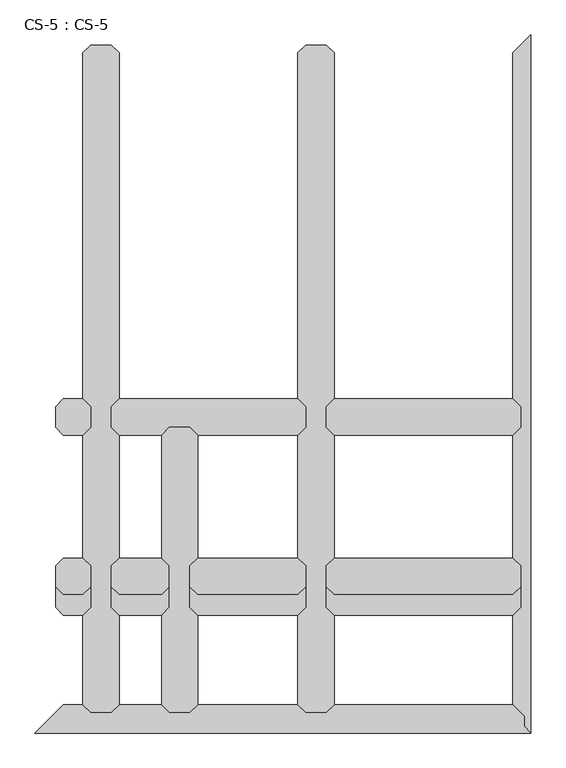
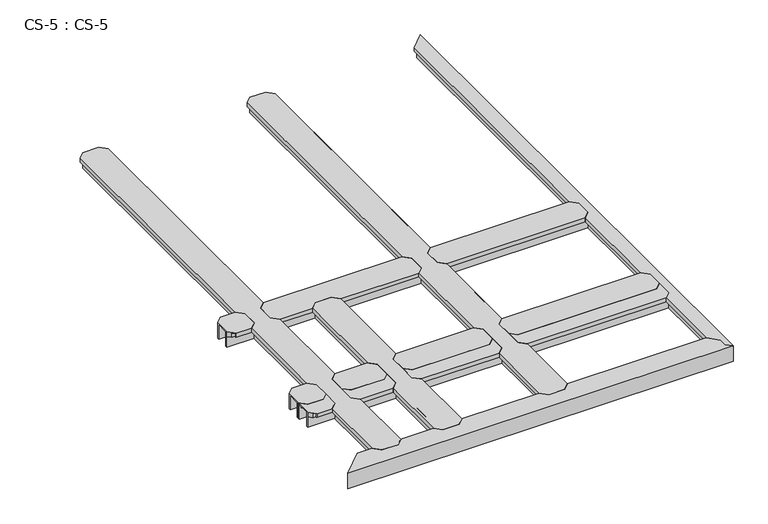
"""IFC4 building model written with IfcOpenShell, lengths in millimetres: proxy geometry, CS-5 : CS-5."""

from ifc_helpers import new_model, si_unit, origin, place, context, project, spatial, faceted_brep, source, transform, mapped, element, save


def cs_5_cs_5_7287b085(model_context):
    return source(origin(), model_context, "Body", "Brep", [
        faceted_brep([(863.5990043, 467.3600292, 46.355), (863.5990043, 467.3600292, 0.0), (863.5990043, 474.3450292, 0.0), (863.5990043, 474.3450292, 63.5), (863.5990043, 526.4150292, 63.5), (863.5990043, 526.4150292, 0.0), (863.5990043, 533.4000292, 0.0), (863.5990043, 533.4000292, 46.355), (863.5990043, 533.4000292, 66.675), (863.5990043, 467.3600292, 66.675), (494.6639027, 533.4000292, 46.355), (494.6639027, 533.4000292, 0.0), (494.6639027, 526.4150292, 0.0), (494.6639027, 526.4150292, 63.5), (494.6639027, 474.3450292, 63.5), (494.6639027, 474.3450292, 0.0), (494.6639027, 467.3600292, 0.0), (494.6639027, 467.3600292, 46.355), (494.6639027, 467.3600292, 66.675), (494.6639027, 533.4000292, 66.675), (519.3019027, 558.0380292, 66.675), (838.9610043, 558.0380292, 66.675), (838.9610043, 558.0380292, 49.8094), (519.3019027, 558.0380292, 49.8094), (840.4850043, 556.5140292, 49.8094), (517.7779027, 556.5140292, 49.8094), (840.4850043, 556.5140292, 64.643), (517.7779027, 556.5140292, 64.643), (850.7720043, 546.2270292, 64.643), (507.4909027, 546.2270292, 64.643), (850.7720043, 546.2270292, 46.355), (507.4909027, 546.2270292, 46.355), (850.7720043, 454.5330292, 46.355), (507.4909027, 454.5330292, 46.355), (850.7720043, 454.5330292, 64.643), (507.4909027, 454.5330292, 64.643), (840.4850043, 444.2460292, 64.643), (517.7779027, 444.2460292, 64.643), (840.4850043, 444.2460292, 49.8094), (517.7779027, 444.2460292, 49.8094), (838.9610043, 442.7220292, 49.8094), (519.3019027, 442.7220292, 49.8094), (838.9610043, 442.7220292, 66.675), (519.3019027, 442.7220292, 66.675)], [[[0, 1, 2, 3, 4, 5, 6, 7, 8, 9]], [[10, 11, 12, 13, 14, 15, 16, 17, 18, 19]], [[20, 21, 22, 23]], [[23, 22, 24, 25]], [[25, 24, 26, 27]], [[27, 26, 28, 29]], [[29, 28, 30, 31]], [[7, 10, 31, 30]], [[7, 6, 11, 10]], [[6, 5, 12, 11]], [[5, 4, 13, 12]], [[4, 3, 14, 13]], [[3, 2, 15, 14]], [[2, 1, 16, 15]], [[1, 0, 17, 16]], [[17, 0, 32, 33]], [[33, 32, 34, 35]], [[35, 34, 36, 37]], [[37, 36, 38, 39]], [[39, 38, 40, 41]], [[41, 40, 42, 43]], [[9, 8, 21, 20, 19, 18, 43, 42]], [[10, 19, 20, 23, 25, 27, 29, 31]], [[18, 17, 33, 35, 37, 39, 41, 43]], [[0, 9, 42, 40, 38, 36, 34, 32]], [[8, 7, 30, 28, 26, 24, 22, 21]]]),
        faceted_brep([(863.5990043, 401.3200292, 46.355), (863.5990043, 401.3200292, 0.0), (863.5990043, 408.3050292, 0.0), (863.5990043, 408.3050292, 63.5), (863.5990043, 460.3750292, 63.5), (863.5990043, 460.3750292, 0.0), (863.5990043, 467.3600292, 0.0), (863.5990043, 467.3600292, 46.355), (863.5990043, 467.3600292, 66.675), (863.5990043, 401.3200292, 66.675), (494.6639027, 467.3600292, 46.355), (494.6639027, 467.3600292, 0.0), (494.6639027, 460.3750292, 0.0), (494.6639027, 460.3750292, 63.5), (494.6639027, 408.3050292, 63.5), (494.6639027, 408.3050292, 0.0), (494.6639027, 401.3200292, 0.0), (494.6639027, 401.3200292, 46.355), (494.6639027, 401.3200292, 66.675), (494.6639027, 467.3600292, 66.675), (519.3019027, 491.9980292, 66.675), (838.9610043, 491.9980292, 66.675), (838.9610043, 491.9980292, 49.8094), (519.3019027, 491.9980292, 49.8094), (840.4850043, 490.4740292, 49.8094), (517.7779027, 490.4740292, 49.8094), (840.4850043, 490.4740292, 64.643), (517.7779027, 490.4740292, 64.643), (850.7720043, 480.1870292, 64.643), (507.4909027, 480.1870292, 64.643), (850.7720043, 480.1870292, 46.355), (507.4909027, 480.1870292, 46.355), (850.7720043, 388.4930292, 46.355), (507.4909027, 388.4930292, 46.355), (850.7720043, 388.4930292, 64.643), (507.4909027, 388.4930292, 64.643), (840.4850043, 378.2060292, 64.643), (517.7779027, 378.2060292, 64.643), (840.4850043, 378.2060292, 49.8094), (517.7779027, 378.2060292, 49.8094), (838.9610043, 376.6820292, 49.8094), (519.3019027, 376.6820292, 49.8094), (838.9610043, 376.6820292, 66.675), (519.3019027, 376.6820292, 66.675)], [[[0, 1, 2, 3, 4, 5, 6, 7, 8, 9]], [[10, 11, 12, 13, 14, 15, 16, 17, 18, 19]], [[20, 21, 22, 23]], [[23, 22, 24, 25]], [[25, 24, 26, 27]], [[27, 26, 28, 29]], [[29, 28, 30, 31]], [[7, 10, 31, 30]], [[7, 6, 11, 10]], [[6, 5, 12, 11]], [[5, 4, 13, 12]], [[4, 3, 14, 13]], [[3, 2, 15, 14]], [[2, 1, 16, 15]], [[1, 0, 17, 16]], [[17, 0, 32, 33]], [[33, 32, 34, 35]], [[35, 34, 36, 37]], [[37, 36, 38, 39]], [[39, 38, 40, 41]], [[41, 40, 42, 43]], [[9, 8, 21, 20, 19, 18, 43, 42]], [[10, 19, 20, 23, 25, 27, 29, 31]], [[18, 17, 33, 35, 37, 39, 41, 43]], [[0, 9, 42, 40, 38, 36, 34, 32]], [[8, 7, 30, 28, 26, 24, 22, 21]]]),
        faceted_brep([(494.6639027, 975.3600584, 46.355), (494.6639027, 975.3600584, 0.0), (487.6789027, 975.3600584, 0.0), (487.6789027, 975.3600584, 63.5), (435.6089027, 975.3600584, 63.5), (435.6089027, 975.3600584, 0.0), (428.6239027, 975.3600584, 0.0), (428.6239027, 975.3600584, 46.355), (428.6239027, 975.3600584, 66.675), (494.6639027, 975.3600584, 66.675), (428.6239027, 66.04, 46.355), (428.6239027, 66.04, 0.0), (435.6089027, 66.04, 0.0), (435.6089027, 66.04, 63.5), (487.6789027, 66.04, 63.5), (487.6789027, 66.04, 0.0), (494.6639027, 66.04, 0.0), (494.6639027, 66.04, 46.355), (494.6639027, 66.04, 66.675), (428.6239027, 66.04, 66.675), (403.9859027, 90.678, 49.8094), (403.9859027, 90.678, 66.675), (403.9859027, 376.682, 66.675), (403.9859027, 376.682, 49.8094), (403.9859027, 950.7220584, 66.675), (403.9859027, 950.7220584, 49.8094), (403.9859027, 558.038, 49.8094), (403.9859027, 558.038, 66.675), (405.5099027, 89.154, 49.8094), (405.5099027, 378.206, 49.8094), (405.5099027, 952.2460584, 49.8094), (405.5099027, 556.514, 49.8094), (405.5099027, 89.154, 64.643), (405.5099027, 378.206, 64.643), (405.5099027, 952.2460584, 64.643), (405.5099027, 556.514, 64.643), (415.7969027, 78.867, 64.643), (415.7969027, 388.493, 64.643), (415.7969027, 962.5330584, 64.643), (415.7969027, 546.227, 64.643), (415.7969027, 78.867, 46.355), (415.7969027, 388.493, 46.355), (415.7969027, 962.5330584, 46.355), (415.7969027, 546.227, 46.355), (428.6239027, 401.32, 46.355), (428.6239027, 533.4, 46.355), (428.6239027, 401.32, 66.675), (428.6239027, 533.4, 66.675), (494.6639027, 533.4000292, 46.355), (494.6639027, 533.4000292, 66.675), (494.6639027, 401.32, 66.675), (494.6639027, 401.32, 46.355), (507.4909027, 78.867, 46.355), (507.4909027, 388.4930152, 46.355), (507.4909027, 962.5330584, 46.355), (507.4909027, 546.2270292, 46.355), (507.4909027, 78.867, 64.643), (507.4909027, 388.4930152, 64.643), (507.4909027, 962.5330584, 64.643), (507.4909027, 546.2270292, 64.643), (517.7779027, 89.154, 64.643), (517.7779027, 378.2060274, 64.643), (517.7779027, 952.2460584, 64.643), (517.7779027, 556.5140292, 64.643), (517.7779027, 89.154, 49.8094), (517.7779027, 378.2060274, 49.8094), (517.7779027, 952.2460584, 49.8094), (517.7779027, 556.5140292, 49.8094), (519.3019027, 90.678, 49.8094), (519.3019027, 376.6820292, 49.8094), (519.3019027, 950.7220584, 49.8094), (519.3019027, 558.0380292, 49.8094), (519.3019027, 90.678, 66.675), (519.3019027, 376.6820292, 66.675), (519.3019027, 950.7220584, 66.675), (519.3019027, 558.0380292, 66.675)], [[[0, 1, 2, 3, 4, 5, 6, 7, 8, 9]], [[10, 11, 12, 13, 14, 15, 16, 17, 18, 19]], [[20, 21, 22, 23]], [[24, 25, 26, 27]], [[28, 20, 23, 29]], [[25, 30, 31, 26]], [[32, 28, 29, 33]], [[30, 34, 35, 31]], [[36, 32, 33, 37]], [[34, 38, 39, 35]], [[40, 36, 37, 41]], [[38, 42, 43, 39]], [[10, 40, 41, 44]], [[42, 7, 45, 43]], [[7, 6, 11, 10, 44, 46, 47, 45]], [[6, 5, 12, 11]], [[5, 4, 13, 12]], [[4, 3, 14, 13]], [[3, 2, 15, 14]], [[2, 1, 16, 15]], [[1, 0, 48, 49, 50, 51, 17, 16]], [[52, 17, 51, 53]], [[0, 54, 55, 48]], [[56, 52, 53, 57]], [[54, 58, 59, 55]], [[60, 56, 57, 61]], [[58, 62, 63, 59]], [[64, 60, 61, 65]], [[62, 66, 67, 63]], [[68, 64, 65, 69]], [[66, 70, 71, 67]], [[72, 68, 69, 73]], [[70, 74, 75, 71]], [[9, 8, 24, 27, 47, 46, 22, 21, 19, 18, 72, 73, 50, 49, 75, 74]], [[10, 19, 21, 20, 28, 32, 36, 40]], [[18, 17, 52, 56, 60, 64, 68, 72]], [[0, 9, 74, 70, 66, 62, 58, 54]], [[8, 7, 42, 38, 34, 30, 25, 24]], [[46, 44, 41, 37, 33, 29, 23, 22]], [[45, 47, 27, 26, 31, 35, 39, 43]], [[51, 50, 73, 69, 65, 61, 57, 53]], [[49, 48, 55, 59, 63, 67, 71, 75]]]),
        faceted_brep([(1549.3991059, 975.3600584, 46.355), (1549.3991059, 975.3600584, 0.0), (1549.3991059, 982.3450584, 0.0), (1549.3991059, 982.3450584, 63.5), (1549.3991059, 1034.4150584, 63.5), (1549.3991059, 1034.4150584, 0.0), (1549.3991059, 1041.4000584, 0.0), (1549.3991059, 1041.4000584, 46.355), (1549.3991059, 1041.4000584, 66.675), (1549.3991059, 975.3600584, 66.675), (929.6390043, 1041.4000584, 46.355), (929.6390043, 1041.4000584, 0.0), (929.6390043, 1034.4150584, 0.0), (929.6390043, 1034.4150584, 63.5), (929.6390043, 982.3450584, 63.5), (929.6390043, 982.3450584, 0.0), (929.6390043, 975.3600584, 0.0), (929.6390043, 975.3600584, 46.355), (929.6390043, 975.3600584, 66.675), (929.6390043, 1041.4000584, 66.675), (954.2770043, 1066.0380584, 66.675), (1524.7611059, 1066.0380584, 66.675), (1524.7611059, 1066.0380584, 49.8094), (954.2770043, 1066.0380584, 49.8094), (1526.2851059, 1064.5140584, 49.8094), (952.7530043, 1064.5140584, 49.8094), (1526.2851059, 1064.5140584, 64.643), (952.7530043, 1064.5140584, 64.643), (1536.5721059, 1054.2270584, 64.643), (942.4660043, 1054.2270584, 64.643), (1536.5721059, 1054.2270584, 46.355), (942.4660043, 1054.2270584, 46.355), (1536.5721059, 962.5330584, 46.355), (942.4660043, 962.5330584, 46.355), (1536.5721059, 962.5330584, 64.643), (942.4660043, 962.5330584, 64.643), (1526.2851059, 952.2460584, 64.643), (952.7530043, 952.2460584, 64.643), (1526.2851059, 952.2460584, 49.8094), (952.7530043, 952.2460584, 49.8094), (1524.7611059, 950.7220584, 49.8094), (954.2770043, 950.7220584, 49.8094), (1524.7611059, 950.7220584, 66.675), (954.2770043, 950.7220584, 66.675)], [[[0, 1, 2, 3, 4, 5, 6, 7, 8, 9]], [[10, 11, 12, 13, 14, 15, 16, 17, 18, 19]], [[20, 21, 22, 23]], [[23, 22, 24, 25]], [[25, 24, 26, 27]], [[27, 26, 28, 29]], [[29, 28, 30, 31]], [[7, 10, 31, 30]], [[7, 6, 11, 10]], [[6, 5, 12, 11]], [[5, 4, 13, 12]], [[4, 3, 14, 13]], [[3, 2, 15, 14]], [[2, 1, 16, 15]], [[1, 0, 17, 16]], [[17, 0, 32, 33]], [[33, 32, 34, 35]], [[35, 34, 36, 37]], [[37, 36, 38, 39]], [[39, 38, 40, 41]], [[41, 40, 42, 43]], [[9, 8, 21, 20, 19, 18, 43, 42]], [[10, 19, 20, 23, 25, 27, 29, 31]], [[18, 17, 33, 35, 37, 39, 41, 43]], [[0, 9, 42, 40, 38, 36, 34, 32]], [[8, 7, 30, 28, 26, 24, 22, 21]]]),
        faceted_brep([(863.5990043, 975.3600584, 46.355), (863.5990043, 975.3600584, 0.0), (863.5990043, 982.3450584, 0.0), (863.5990043, 982.3450584, 63.5), (863.5990043, 1034.4150584, 63.5), (863.5990043, 1034.4150584, 0.0), (863.5990043, 1041.4000584, 0.0), (863.5990043, 1041.4000584, 46.355), (863.5990043, 1041.4000584, 66.675), (863.5990043, 975.3600584, 66.675), (243.8389027, 1041.4000584, 46.355), (243.8389027, 1041.4000584, 0.0), (243.8389027, 1034.4150584, 0.0), (243.8389027, 1034.4150584, 63.5), (243.8389027, 982.3450584, 63.5), (243.8389027, 982.3450584, 0.0), (243.8389027, 975.3600584, 0.0), (243.8389027, 975.3600584, 46.355), (243.8389027, 975.3600584, 66.675), (243.8389027, 1041.4000584, 66.675), (268.4769027, 1066.0380584, 66.675), (838.9610043, 1066.0380584, 66.675), (838.9610043, 1066.0380584, 49.8094), (268.4769027, 1066.0380584, 49.8094), (840.4850043, 1064.5140584, 49.8094), (266.9529027, 1064.5140584, 49.8094), (840.4850043, 1064.5140584, 64.643), (266.9529027, 1064.5140584, 64.643), (850.7720043, 1054.2270584, 64.643), (256.6659027, 1054.2270584, 64.643), (850.7720043, 1054.2270584, 46.355), (256.6659027, 1054.2270584, 46.355), (494.6639027, 975.3600584, 46.355), (494.6639027, 975.3600584, 66.675), (428.6239027, 975.3600584, 66.675), (428.6239027, 975.3600584, 46.355), (256.6659027, 962.5330584, 46.355), (415.7969027, 962.5330584, 46.355), (850.7720043, 962.5330584, 46.355), (507.4909027, 962.5330584, 46.355), (256.6659027, 962.5330584, 64.643), (415.7969027, 962.5330584, 64.643), (850.7720043, 962.5330584, 64.643), (507.4909027, 962.5330584, 64.643), (266.9529027, 952.2460584, 64.643), (405.5099027, 952.2460584, 64.643), (840.4850043, 952.2460584, 64.643), (517.7779027, 952.2460584, 64.643), (266.9529027, 952.2460584, 49.8094), (405.5099027, 952.2460584, 49.8094), (840.4850043, 952.2460584, 49.8094), (517.7779027, 952.2460584, 49.8094), (268.4769027, 950.7220584, 49.8094), (403.9859027, 950.7220584, 49.8094), (838.9610043, 950.7220584, 49.8094), (519.3019027, 950.7220584, 49.8094), (268.4769027, 950.7220584, 66.675), (403.9859027, 950.7220584, 66.675), (838.9610043, 950.7220584, 66.675), (519.3019027, 950.7220584, 66.675)], [[[0, 1, 2, 3, 4, 5, 6, 7, 8, 9]], [[10, 11, 12, 13, 14, 15, 16, 17, 18, 19]], [[20, 21, 22, 23]], [[23, 22, 24, 25]], [[25, 24, 26, 27]], [[27, 26, 28, 29]], [[29, 28, 30, 31]], [[7, 10, 31, 30]], [[7, 6, 11, 10]], [[6, 5, 12, 11]], [[5, 4, 13, 12]], [[4, 3, 14, 13]], [[3, 2, 15, 14]], [[2, 1, 16, 15]], [[1, 0, 32, 33, 34, 35, 17, 16]], [[36, 17, 35, 37]], [[0, 38, 39, 32]], [[40, 36, 37, 41]], [[38, 42, 43, 39]], [[44, 40, 41, 45]], [[42, 46, 47, 43]], [[48, 44, 45, 49]], [[46, 50, 51, 47]], [[52, 48, 49, 53]], [[50, 54, 55, 51]], [[56, 52, 53, 57]], [[54, 58, 59, 55]], [[9, 8, 21, 20, 19, 18, 56, 57, 34, 33, 59, 58]], [[10, 19, 20, 23, 25, 27, 29, 31]], [[18, 17, 36, 40, 44, 48, 52, 56]], [[0, 9, 58, 54, 50, 46, 42, 38]], [[8, 7, 30, 28, 26, 24, 22, 21]], [[33, 32, 39, 43, 47, 51, 55, 59]], [[35, 34, 57, 53, 49, 45, 41, 37]]]),
        faceted_brep([(1549.3991059, 467.3600292, 46.355), (1549.3991059, 467.3600292, 0.0), (1549.3991059, 474.3450292, 0.0), (1549.3991059, 474.3450292, 63.5), (1549.3991059, 526.4150292, 63.5), (1549.3991059, 526.4150292, 0.0), (1549.3991059, 533.4000292, 0.0), (1549.3991059, 533.4000292, 46.355), (1549.3991059, 533.4000292, 66.675), (1549.3991059, 467.3600292, 66.675), (929.6390043, 533.4000292, 46.355), (929.6390043, 533.4000292, 0.0), (929.6390043, 526.4150292, 0.0), (929.6390043, 526.4150292, 63.5), (929.6390043, 474.3450292, 63.5), (929.6390043, 474.3450292, 0.0), (929.6390043, 467.3600292, 0.0), (929.6390043, 467.3600292, 46.355), (929.6390043, 467.3600292, 66.675), (929.6390043, 533.4000292, 66.675), (954.2770043, 558.0380292, 66.675), (1524.7611059, 558.0380292, 66.675), (1524.7611059, 558.0380292, 49.8094), (954.2770043, 558.0380292, 49.8094), (1526.2851059, 556.5140292, 49.8094), (952.7530043, 556.5140292, 49.8094), (1526.2851059, 556.5140292, 64.643), (952.7530043, 556.5140292, 64.643), (1536.5721059, 546.2270292, 64.643), (942.4660043, 546.2270292, 64.643), (1536.5721059, 546.2270292, 46.355), (942.4660043, 546.2270292, 46.355), (1536.5721059, 454.5330292, 46.355), (942.4660043, 454.5330292, 46.355), (1536.5721059, 454.5330292, 64.643), (942.4660043, 454.5330292, 64.643), (1526.2851059, 444.2460292, 64.643), (952.7530043, 444.2460292, 64.643), (1526.2851059, 444.2460292, 49.8094), (952.7530043, 444.2460292, 49.8094), (1524.7611059, 442.7220292, 49.8094), (954.2770043, 442.7220292, 49.8094), (1524.7611059, 442.7220292, 66.675), (954.2770043, 442.7220292, 66.675)], [[[0, 1, 2, 3, 4, 5, 6, 7, 8, 9]], [[10, 11, 12, 13, 14, 15, 16, 17, 18, 19]], [[20, 21, 22, 23]], [[23, 22, 24, 25]], [[25, 24, 26, 27]], [[27, 26, 28, 29]], [[29, 28, 30, 31]], [[7, 10, 31, 30]], [[7, 6, 11, 10]], [[6, 5, 12, 11]], [[5, 4, 13, 12]], [[4, 3, 14, 13]], [[3, 2, 15, 14]], [[2, 1, 16, 15]], [[1, 0, 17, 16]], [[17, 0, 32, 33]], [[33, 32, 34, 35]], [[35, 34, 36, 37]], [[37, 36, 38, 39]], [[39, 38, 40, 41]], [[41, 40, 42, 43]], [[9, 8, 21, 20, 19, 18, 43, 42]], [[10, 19, 20, 23, 25, 27, 29, 31]], [[18, 17, 33, 35, 37, 39, 41, 43]], [[0, 9, 42, 40, 38, 36, 34, 32]], [[8, 7, 30, 28, 26, 24, 22, 21]]]),
        faceted_brep([(428.6239027, 467.3600292, 46.355), (428.6239027, 467.3600292, 0.0), (428.6239027, 474.3450292, 0.0), (428.6239027, 474.3450292, 63.5), (428.6239027, 526.4150292, 63.5), (428.6239027, 526.4150292, 0.0), (428.6239027, 533.4000292, 0.0), (428.6239027, 533.4000292, 46.355), (428.6239027, 533.4000292, 66.675), (428.6239027, 467.3600292, 66.675), (243.8389027, 533.4000292, 46.355), (243.8389027, 533.4000292, 0.0), (243.8389027, 526.4150292, 0.0), (243.8389027, 526.4150292, 63.5), (243.8389027, 474.3450292, 63.5), (243.8389027, 474.3450292, 0.0), (243.8389027, 467.3600292, 0.0), (243.8389027, 467.3600292, 46.355), (243.8389027, 467.3600292, 66.675), (243.8389027, 533.4000292, 66.675), (268.4769027, 558.0380292, 66.675), (403.9859027, 558.0380292, 66.675), (403.9859027, 558.0380292, 49.8094), (268.4769027, 558.0380292, 49.8094), (405.5099027, 556.5140292, 49.8094), (266.9529027, 556.5140292, 49.8094), (405.5099027, 556.5140292, 64.643), (266.9529027, 556.5140292, 64.643), (415.7969027, 546.2270292, 64.643), (256.6659027, 546.2270292, 64.643), (415.7969027, 546.2270292, 46.355), (256.6659027, 546.2270292, 46.355), (415.7969027, 454.5330292, 46.355), (256.6659027, 454.5330292, 46.355), (415.7969027, 454.5330292, 64.643), (256.6659027, 454.5330292, 64.643), (405.5099027, 444.2460292, 64.643), (266.9529027, 444.2460292, 64.643), (405.5099027, 444.2460292, 49.8094), (266.9529027, 444.2460292, 49.8094), (403.9859027, 442.7220292, 49.8094), (268.4769027, 442.7220292, 49.8094), (403.9859027, 442.7220292, 66.675), (268.4769027, 442.7220292, 66.675)], [[[0, 1, 2, 3, 4, 5, 6, 7, 8, 9]], [[10, 11, 12, 13, 14, 15, 16, 17, 18, 19]], [[20, 21, 22, 23]], [[23, 22, 24, 25]], [[25, 24, 26, 27]], [[27, 26, 28, 29]], [[29, 28, 30, 31]], [[7, 10, 31, 30]], [[7, 6, 11, 10]], [[6, 5, 12, 11]], [[5, 4, 13, 12]], [[4, 3, 14, 13]], [[3, 2, 15, 14]], [[2, 1, 16, 15]], [[1, 0, 17, 16]], [[17, 0, 32, 33]], [[33, 32, 34, 35]], [[35, 34, 36, 37]], [[37, 36, 38, 39]], [[39, 38, 40, 41]], [[41, 40, 42, 43]], [[9, 8, 21, 20, 19, 18, 43, 42]], [[10, 19, 20, 23, 25, 27, 29, 31]], [[18, 17, 33, 35, 37, 39, 41, 43]], [[0, 9, 42, 40, 38, 36, 34, 32]], [[8, 7, 30, 28, 26, 24, 22, 21]]]),
        faceted_brep([(1549.3991059, 401.3200292, 46.355), (1549.3991059, 401.3200292, 0.0), (1549.3991059, 408.3050292, 0.0), (1549.3991059, 408.3050292, 63.5), (1549.3991059, 460.3750292, 63.5), (1549.3991059, 460.3750292, 0.0), (1549.3991059, 467.3600292, 0.0), (1549.3991059, 467.3600292, 46.355), (1549.3991059, 467.3600292, 66.675), (1549.3991059, 401.3200292, 66.675), (929.6390043, 467.3600292, 46.355), (929.6390043, 467.3600292, 0.0), (929.6390043, 460.3750292, 0.0), (929.6390043, 460.3750292, 63.5), (929.6390043, 408.3050292, 63.5), (929.6390043, 408.3050292, 0.0), (929.6390043, 401.3200292, 0.0), (929.6390043, 401.3200292, 46.355), (929.6390043, 401.3200292, 66.675), (929.6390043, 467.3600292, 66.675), (954.2770043, 491.9980292, 66.675), (1524.7611059, 491.9980292, 66.675), (1524.7611059, 491.9980292, 49.8094), (954.2770043, 491.9980292, 49.8094), (1526.2851059, 490.4740292, 49.8094), (952.7530043, 490.4740292, 49.8094), (1526.2851059, 490.4740292, 64.643), (952.7530043, 490.4740292, 64.643), (1536.5721059, 480.1870292, 64.643), (942.4660043, 480.1870292, 64.643), (1536.5721059, 480.1870292, 46.355), (942.4660043, 480.1870292, 46.355), (1536.5721059, 388.4930292, 46.355), (942.4660043, 388.4930292, 46.355), (1536.5721059, 388.4930292, 64.643), (942.4660043, 388.4930292, 64.643), (1526.2851059, 378.2060292, 64.643), (952.7530043, 378.2060292, 64.643), (1526.2851059, 378.2060292, 49.8094), (952.7530043, 378.2060292, 49.8094), (1524.7611059, 376.6820292, 49.8094), (954.2770043, 376.6820292, 49.8094), (1524.7611059, 376.6820292, 66.675), (954.2770043, 376.6820292, 66.675)], [[[0, 1, 2, 3, 4, 5, 6, 7, 8, 9]], [[10, 11, 12, 13, 14, 15, 16, 17, 18, 19]], [[20, 21, 22, 23]], [[23, 22, 24, 25]], [[25, 24, 26, 27]], [[27, 26, 28, 29]], [[29, 28, 30, 31]], [[7, 10, 31, 30]], [[7, 6, 11, 10]], [[6, 5, 12, 11]], [[5, 4, 13, 12]], [[4, 3, 14, 13]], [[3, 2, 15, 14]], [[2, 1, 16, 15]], [[1, 0, 17, 16]], [[17, 0, 32, 33]], [[33, 32, 34, 35]], [[35, 34, 36, 37]], [[37, 36, 38, 39]], [[39, 38, 40, 41]], [[41, 40, 42, 43]], [[9, 8, 21, 20, 19, 18, 43, 42]], [[10, 19, 20, 23, 25, 27, 29, 31]], [[18, 17, 33, 35, 37, 39, 41, 43]], [[0, 9, 42, 40, 38, 36, 34, 32]], [[8, 7, 30, 28, 26, 24, 22, 21]]]),
        faceted_brep([(428.6239027, 401.3200292, 46.355), (428.6239027, 401.3200292, 0.0), (428.6239027, 408.3050292, 0.0), (428.6239027, 408.3050292, 63.5), (428.6239027, 460.3750292, 63.5), (428.6239027, 460.3750292, 0.0), (428.6239027, 467.3600292, 0.0), (428.6239027, 467.3600292, 46.355), (428.6239027, 467.3600292, 66.675), (428.6239027, 401.3200292, 66.675), (243.8389027, 467.3600292, 46.355), (243.8389027, 467.3600292, 0.0), (243.8389027, 460.3750292, 0.0), (243.8389027, 460.3750292, 63.5), (243.8389027, 408.3050292, 63.5), (243.8389027, 408.3050292, 0.0), (243.8389027, 401.3200292, 0.0), (243.8389027, 401.3200292, 46.355), (243.8389027, 401.3200292, 66.675), (243.8389027, 467.3600292, 66.675), (268.4769027, 491.9980292, 66.675), (403.9859027, 491.9980292, 66.675), (403.9859027, 491.9980292, 49.8094), (268.4769027, 491.9980292, 49.8094), (405.5099027, 490.4740292, 49.8094), (266.9529027, 490.4740292, 49.8094), (405.5099027, 490.4740292, 64.643), (266.9529027, 490.4740292, 64.643), (415.7969027, 480.1870292, 64.643), (256.6659027, 480.1870292, 64.643), (415.7969027, 480.1870292, 46.355), (256.6659027, 480.1870292, 46.355), (415.7969027, 388.4930292, 46.355), (256.6659027, 388.4930292, 46.355), (415.7969027, 388.4930292, 64.643), (256.6659027, 388.4930292, 64.643), (405.5099027, 378.2060292, 64.643), (266.9529027, 378.2060292, 64.643), (405.5099027, 378.2060292, 49.8094), (266.9529027, 378.2060292, 49.8094), (403.9859027, 376.6820292, 49.8094), (268.4769027, 376.6820292, 49.8094), (403.9859027, 376.6820292, 66.675), (268.4769027, 376.6820292, 66.675)], [[[0, 1, 2, 3, 4, 5, 6, 7, 8, 9]], [[10, 11, 12, 13, 14, 15, 16, 17, 18, 19]], [[20, 21, 22, 23]], [[23, 22, 24, 25]], [[25, 24, 26, 27]], [[27, 26, 28, 29]], [[29, 28, 30, 31]], [[7, 10, 31, 30]], [[7, 6, 11, 10]], [[6, 5, 12, 11]], [[5, 4, 13, 12]], [[4, 3, 14, 13]], [[3, 2, 15, 14]], [[2, 1, 16, 15]], [[1, 0, 17, 16]], [[17, 0, 32, 33]], [[33, 32, 34, 35]], [[35, 34, 36, 37]], [[37, 36, 38, 39]], [[39, 38, 40, 41]], [[41, 40, 42, 43]], [[9, 8, 21, 20, 19, 18, 43, 42]], [[10, 19, 20, 23, 25, 27, 29, 31]], [[18, 17, 33, 35, 37, 39, 41, 43]], [[0, 9, 42, 40, 38, 36, 34, 32]], [[8, 7, 30, 28, 26, 24, 22, 21]]]),
        faceted_brep([(177.7989027, 975.3600584, 46.355), (177.7989027, 975.3600584, 0.0), (177.7989027, 982.3450584, 0.0), (177.7989027, 982.3450584, 63.5), (177.7989027, 1034.4150584, 63.5), (177.7989027, 1034.4150584, 0.0), (177.7989027, 1041.4000584, 0.0), (177.7989027, 1041.4000584, 46.355), (177.7989027, 1041.4000584, 66.675), (177.7989027, 975.3600584, 66.675), (66.04, 1041.4000584, 46.355), (66.04, 1041.4000584, 0.0), (66.04, 1034.4150584, 0.0), (66.04, 1034.4150584, 63.5), (66.04, 982.3450584, 63.5), (66.04, 982.3450584, 0.0), (66.04, 975.3600584, 0.0), (66.04, 975.3600584, 46.355), (66.04, 975.3600584, 66.675), (66.04, 1041.4000584, 66.675), (90.678, 1066.0380584, 66.675), (153.1609027, 1066.0380584, 66.675), (153.1609027, 1066.0380584, 49.8094), (90.678, 1066.0380584, 49.8094), (154.6849027, 1064.5140584, 49.8094), (89.154, 1064.5140584, 49.8094), (154.6849027, 1064.5140584, 64.643), (89.154, 1064.5140584, 64.643), (164.9719027, 1054.2270584, 64.643), (78.867, 1054.2270584, 64.643), (164.9719027, 1054.2270584, 46.355), (78.867, 1054.2270584, 46.355), (164.9719027, 962.5330584, 46.355), (78.867, 962.5330584, 46.355), (164.9719027, 962.5330584, 64.643), (78.867, 962.5330584, 64.643), (154.6849027, 952.2460584, 64.643), (89.154, 952.2460584, 64.643), (154.6849027, 952.2460584, 49.8094), (89.154, 952.2460584, 49.8094), (153.1609027, 950.7220584, 49.8094), (90.678, 950.7220584, 49.8094), (153.1609027, 950.7220584, 66.675), (90.678, 950.7220584, 66.675)], [[[0, 1, 2, 3, 4, 5, 6, 7, 8, 9]], [[10, 11, 12, 13, 14, 15, 16, 17, 18, 19]], [[20, 21, 22, 23]], [[23, 22, 24, 25]], [[25, 24, 26, 27]], [[27, 26, 28, 29]], [[29, 28, 30, 31]], [[7, 10, 31, 30]], [[7, 6, 11, 10]], [[6, 5, 12, 11]], [[5, 4, 13, 12]], [[4, 3, 14, 13]], [[3, 2, 15, 14]], [[2, 1, 16, 15]], [[1, 0, 17, 16]], [[17, 0, 32, 33]], [[33, 32, 34, 35]], [[35, 34, 36, 37]], [[37, 36, 38, 39]], [[39, 38, 40, 41]], [[41, 40, 42, 43]], [[9, 8, 21, 20, 19, 18, 43, 42]], [[10, 19, 20, 23, 25, 27, 29, 31]], [[18, 17, 33, 35, 37, 39, 41, 43]], [[0, 9, 42, 40, 38, 36, 34, 32]], [[8, 7, 30, 28, 26, 24, 22, 21]]]),
        faceted_brep([(177.7989027, 467.3600292, 46.355), (177.7989027, 467.3600292, 0.0), (177.7989027, 474.3450292, 0.0), (177.7989027, 474.3450292, 63.5), (177.7989027, 526.4150292, 63.5), (177.7989027, 526.4150292, 0.0), (177.7989027, 533.4000292, 0.0), (177.7989027, 533.4000292, 46.355), (177.7989027, 533.4000292, 66.675), (177.7989027, 467.3600292, 66.675), (66.04, 533.4000292, 46.355), (66.04, 533.4000292, 0.0), (66.04, 526.4150292, 0.0), (66.04, 526.4150292, 63.5), (66.04, 474.3450292, 63.5), (66.04, 474.3450292, 0.0), (66.04, 467.3600292, 0.0), (66.04, 467.3600292, 46.355), (66.04, 467.3600292, 66.675), (66.04, 533.4000292, 66.675), (90.678, 558.0380292, 66.675), (153.1609027, 558.0380292, 66.675), (153.1609027, 558.0380292, 49.8094), (90.678, 558.0380292, 49.8094), (154.6849027, 556.5140292, 49.8094), (89.154, 556.5140292, 49.8094), (154.6849027, 556.5140292, 64.643), (89.154, 556.5140292, 64.643), (164.9719027, 546.2270292, 64.643), (78.867, 546.2270292, 64.643), (164.9719027, 546.2270292, 46.355), (78.867, 546.2270292, 46.355), (164.9719027, 454.5330292, 46.355), (78.867, 454.5330292, 46.355), (164.9719027, 454.5330292, 64.643), (78.867, 454.5330292, 64.643), (154.6849027, 444.2460292, 64.643), (89.154, 444.2460292, 64.643), (154.6849027, 444.2460292, 49.8094), (89.154, 444.2460292, 49.8094), (153.1609027, 442.7220292, 49.8094), (90.678, 442.7220292, 49.8094), (153.1609027, 442.7220292, 66.675), (90.678, 442.7220292, 66.675)], [[[0, 1, 2, 3, 4, 5, 6, 7, 8, 9]], [[10, 11, 12, 13, 14, 15, 16, 17, 18, 19]], [[20, 21, 22, 23]], [[23, 22, 24, 25]], [[25, 24, 26, 27]], [[27, 26, 28, 29]], [[29, 28, 30, 31]], [[7, 10, 31, 30]], [[7, 6, 11, 10]], [[6, 5, 12, 11]], [[5, 4, 13, 12]], [[4, 3, 14, 13]], [[3, 2, 15, 14]], [[2, 1, 16, 15]], [[1, 0, 17, 16]], [[17, 0, 32, 33]], [[33, 32, 34, 35]], [[35, 34, 36, 37]], [[37, 36, 38, 39]], [[39, 38, 40, 41]], [[41, 40, 42, 43]], [[9, 8, 21, 20, 19, 18, 43, 42]], [[10, 19, 20, 23, 25, 27, 29, 31]], [[18, 17, 33, 35, 37, 39, 41, 43]], [[0, 9, 42, 40, 38, 36, 34, 32]], [[8, 7, 30, 28, 26, 24, 22, 21]]]),
        faceted_brep([(177.7989027, 401.3200292, 46.355), (177.7989027, 401.3200292, 0.0), (177.7989027, 408.3050292, 0.0), (177.7989027, 408.3050292, 63.5), (177.7989027, 460.3750292, 63.5), (177.7989027, 460.3750292, 0.0), (177.7989027, 467.3600292, 0.0), (177.7989027, 467.3600292, 46.355), (177.7989027, 467.3600292, 66.675), (177.7989027, 401.3200292, 66.675), (66.04, 467.3600292, 46.355), (66.04, 467.3600292, 0.0), (66.04, 460.3750292, 0.0), (66.04, 460.3750292, 63.5), (66.04, 408.3050292, 63.5), (66.04, 408.3050292, 0.0), (66.04, 401.3200292, 0.0), (66.04, 401.3200292, 46.355), (66.04, 401.3200292, 66.675), (66.04, 467.3600292, 66.675), (90.678, 491.9980292, 66.675), (153.1609027, 491.9980292, 66.675), (153.1609027, 491.9980292, 49.8094), (90.678, 491.9980292, 49.8094), (154.6849027, 490.4740292, 49.8094), (89.154, 490.4740292, 49.8094), (154.6849027, 490.4740292, 64.643), (89.154, 490.4740292, 64.643), (164.9719027, 480.1870292, 64.643), (78.867, 480.1870292, 64.643), (164.9719027, 480.1870292, 46.355), (78.867, 480.1870292, 46.355), (164.9719027, 388.4930292, 46.355), (78.867, 388.4930292, 46.355), (164.9719027, 388.4930292, 64.643), (78.867, 388.4930292, 64.643), (154.6849027, 378.2060292, 64.643), (89.154, 378.2060292, 64.643), (154.6849027, 378.2060292, 49.8094), (89.154, 378.2060292, 49.8094), (153.1609027, 376.6820292, 49.8094), (90.678, 376.6820292, 49.8094), (153.1609027, 376.6820292, 66.675), (90.678, 376.6820292, 66.675)], [[[0, 1, 2, 3, 4, 5, 6, 7, 8, 9]], [[10, 11, 12, 13, 14, 15, 16, 17, 18, 19]], [[20, 21, 22, 23]], [[23, 22, 24, 25]], [[25, 24, 26, 27]], [[27, 26, 28, 29]], [[29, 28, 30, 31]], [[7, 10, 31, 30]], [[7, 6, 11, 10]], [[6, 5, 12, 11]], [[5, 4, 13, 12]], [[4, 3, 14, 13]], [[3, 2, 15, 14]], [[2, 1, 16, 15]], [[1, 0, 17, 16]], [[17, 0, 32, 33]], [[33, 32, 34, 35]], [[35, 34, 36, 37]], [[37, 36, 38, 39]], [[39, 38, 40, 41]], [[41, 40, 42, 43]], [[9, 8, 21, 20, 19, 18, 43, 42]], [[10, 19, 20, 23, 25, 27, 29, 31]], [[18, 17, 33, 35, 37, 39, 41, 43]], [[0, 9, 42, 40, 38, 36, 34, 32]], [[8, 7, 30, 28, 26, 24, 22, 21]]]),
        faceted_brep([(929.6390043, 2194.5600292, 46.355), (929.6390043, 2194.5600292, 0.0), (922.6540043, 2194.5600292, 0.0), (922.6540043, 2194.5600292, 63.5), (870.5840043, 2194.5600292, 63.5), (870.5840043, 2194.5600292, 0.0), (863.5990043, 2194.5600292, 0.0), (863.5990043, 2194.5600292, 46.355), (863.5990043, 2194.5600292, 66.675), (929.6390043, 2194.5600292, 66.675), (863.5990043, 66.04, 46.355), (863.5990043, 66.04, 0.0), (870.5840043, 66.04, 0.0), (870.5840043, 66.04, 63.5), (922.6540043, 66.04, 63.5), (922.6540043, 66.04, 0.0), (929.6390043, 66.04, 0.0), (929.6390043, 66.04, 46.355), (929.6390043, 66.04, 66.675), (863.5990043, 66.04, 66.675), (838.9610043, 90.678, 49.8094), (838.9610043, 90.678, 66.675), (838.9610043, 376.6820292, 66.675), (838.9610043, 376.6820292, 49.8094), (838.9610043, 2169.9220292, 66.675), (838.9610043, 2169.9220292, 49.8094), (838.9610043, 1066.0380584, 49.8094), (838.9610043, 1066.0380584, 66.675), (838.9610043, 558.0380292, 49.8094), (838.9610043, 558.0380292, 66.675), (838.9610043, 950.7220584, 66.675), (838.9610043, 950.7220584, 49.8094), (840.4850043, 89.154, 49.8094), (840.4850043, 378.2060292, 49.8094), (840.4850043, 2171.4460292, 49.8094), (840.4850043, 1064.5140584, 49.8094), (840.4850043, 556.5140292, 49.8094), (840.4850043, 952.2460584, 49.8094), (840.4850043, 89.154, 64.643), (840.4850043, 378.2060292, 64.643), (840.4850043, 2171.4460292, 64.643), (840.4850043, 1064.5140584, 64.643), (840.4850043, 556.5140292, 64.643), (840.4850043, 952.2460584, 64.643), (850.7720043, 78.867, 64.643), (850.7720043, 388.4930292, 64.643), (850.7720043, 2181.7330292, 64.643), (850.7720043, 1054.2270584, 64.643), (850.7720043, 546.2270292, 64.643), (850.7720043, 962.5330584, 64.643), (850.7720043, 78.867, 46.355), (850.7720043, 388.4930292, 46.355), (850.7720043, 2181.7330292, 46.355), (850.7720043, 1054.2270584, 46.355), (850.7720043, 546.2270292, 46.355), (850.7720043, 962.5330584, 46.355), (863.5990043, 401.3200292, 46.355), (863.5990043, 1041.4000584, 46.355), (863.5990043, 533.4000292, 46.355), (863.5990043, 975.3600584, 46.355), (863.5990043, 401.3200292, 66.675), (863.5990043, 533.4000292, 66.675), (863.5990043, 975.3600584, 66.675), (863.5990043, 1041.4000584, 66.675), (929.6390043, 1041.4000584, 46.355), (929.6390043, 1041.4000584, 66.675), (929.6390043, 975.3600584, 66.675), (929.6390043, 975.3600584, 46.355), (929.6390043, 533.4000292, 46.355), (929.6390043, 533.4000292, 66.675), (929.6390043, 401.3200292, 66.675), (929.6390043, 401.3200292, 46.355), (942.4660043, 78.867, 46.355), (942.4660043, 388.4930292, 46.355), (942.4660043, 2181.7330292, 46.355), (942.4660043, 1054.2270584, 46.355), (942.4660043, 546.2270292, 46.355), (942.4660043, 962.5330584, 46.355), (942.4660043, 78.867, 64.643), (942.4660043, 388.4930292, 64.643), (942.4660043, 2181.7330292, 64.643), (942.4660043, 1054.2270584, 64.643), (942.4660043, 546.2270292, 64.643), (942.4660043, 962.5330584, 64.643), (952.7530043, 89.154, 64.643), (952.7530043, 378.2060292, 64.643), (952.7530043, 2171.4460292, 64.643), (952.7530043, 1064.5140584, 64.643), (952.7530043, 556.5140292, 64.643), (952.7530043, 952.2460584, 64.643), (952.7530043, 89.154, 49.8094), (952.7530043, 378.2060292, 49.8094), (952.7530043, 2171.4460292, 49.8094), (952.7530043, 1064.5140584, 49.8094), (952.7530043, 556.5140292, 49.8094), (952.7530043, 952.2460584, 49.8094), (954.2770043, 90.678, 49.8094), (954.2770043, 376.6820292, 49.8094), (954.2770043, 2169.9220292, 49.8094), (954.2770043, 1066.0380584, 49.8094), (954.2770043, 558.0380292, 49.8094), (954.2770043, 950.7220584, 49.8094), (954.2770043, 90.678, 66.675), (954.2770043, 376.6820292, 66.675), (954.2770043, 2169.9220292, 66.675), (954.2770043, 1066.0380584, 66.675), (954.2770043, 558.0380292, 66.675), (954.2770043, 950.7220584, 66.675)], [[[0, 1, 2, 3, 4, 5, 6, 7, 8, 9]], [[10, 11, 12, 13, 14, 15, 16, 17, 18, 19]], [[20, 21, 22, 23]], [[24, 25, 26, 27]], [[28, 29, 30, 31]], [[32, 20, 23, 33]], [[25, 34, 35, 26]], [[36, 28, 31, 37]], [[38, 32, 33, 39]], [[34, 40, 41, 35]], [[42, 36, 37, 43]], [[44, 38, 39, 45]], [[40, 46, 47, 41]], [[48, 42, 43, 49]], [[50, 44, 45, 51]], [[46, 52, 53, 47]], [[54, 48, 49, 55]], [[10, 50, 51, 56]], [[52, 7, 57, 53]], [[58, 54, 55, 59]], [[7, 6, 11, 10, 56, 60, 61, 58, 59, 62, 63, 57]], [[6, 5, 12, 11]], [[5, 4, 13, 12]], [[4, 3, 14, 13]], [[3, 2, 15, 14]], [[2, 1, 16, 15]], [[1, 0, 64, 65, 66, 67, 68, 69, 70, 71, 17, 16]], [[72, 17, 71, 73]], [[0, 74, 75, 64]], [[76, 68, 67, 77]], [[78, 72, 73, 79]], [[74, 80, 81, 75]], [[82, 76, 77, 83]], [[84, 78, 79, 85]], [[80, 86, 87, 81]], [[88, 82, 83, 89]], [[90, 84, 85, 91]], [[86, 92, 93, 87]], [[94, 88, 89, 95]], [[96, 90, 91, 97]], [[92, 98, 99, 93]], [[100, 94, 95, 101]], [[102, 96, 97, 103]], [[98, 104, 105, 99]], [[106, 100, 101, 107]], [[9, 8, 24, 27, 63, 62, 30, 29, 61, 60, 22, 21, 19, 18, 102, 103, 70, 69, 106, 107, 66, 65, 105, 104]], [[10, 19, 21, 20, 32, 38, 44, 50]], [[18, 17, 72, 78, 84, 90, 96, 102]], [[0, 9, 104, 98, 92, 86, 80, 74]], [[8, 7, 52, 46, 40, 34, 25, 24]], [[60, 56, 51, 45, 39, 33, 23, 22]], [[58, 61, 29, 28, 36, 42, 48, 54]], [[62, 59, 55, 49, 43, 37, 31, 30]], [[57, 63, 27, 26, 35, 41, 47, 53]], [[71, 70, 103, 97, 91, 85, 79, 73]], [[69, 68, 76, 82, 88, 94, 100, 106]], [[65, 64, 75, 81, 87, 93, 99, 105]], [[67, 66, 107, 101, 95, 89, 83, 77]]]),
        faceted_brep([(243.8389027, 2194.5600292, 46.355), (243.8389027, 2194.5600292, 0.0), (236.8539027, 2194.5600292, 0.0), (236.8539027, 2194.5600292, 63.5), (184.7839027, 2194.5600292, 63.5), (184.7839027, 2194.5600292, 0.0), (177.7989027, 2194.5600292, 0.0), (177.7989027, 2194.5600292, 46.355), (177.7989027, 2194.5600292, 66.675), (243.8389027, 2194.5600292, 66.675), (177.7989027, 66.04, 46.355), (177.7989027, 66.04, 0.0), (184.7839027, 66.04, 0.0), (184.7839027, 66.04, 63.5), (236.8539027, 66.04, 63.5), (236.8539027, 66.04, 0.0), (243.8389027, 66.04, 0.0), (243.8389027, 66.04, 46.355), (243.8389027, 66.04, 66.675), (177.7989027, 66.04, 66.675), (153.1609027, 90.678, 49.8094), (153.1609027, 90.678, 66.675), (153.1609027, 376.6820292, 66.675), (153.1609027, 376.6820292, 49.8094), (153.1609027, 2169.9220292, 66.675), (153.1609027, 2169.9220292, 49.8094), (153.1609027, 1066.0380584, 49.8094), (153.1609027, 1066.0380584, 66.675), (153.1609027, 558.0380292, 49.8094), (153.1609027, 558.0380292, 66.675), (153.1609027, 950.7220584, 66.675), (153.1609027, 950.7220584, 49.8094), (154.6849027, 89.154, 49.8094), (154.6849027, 378.2060292, 49.8094), (154.6849027, 2171.4460292, 49.8094), (154.6849027, 1064.5140584, 49.8094), (154.6849027, 556.5140292, 49.8094), (154.6849027, 952.2460584, 49.8094), (154.6849027, 89.154, 64.643), (154.6849027, 378.2060292, 64.643), (154.6849027, 2171.4460292, 64.643), (154.6849027, 1064.5140584, 64.643), (154.6849027, 556.5140292, 64.643), (154.6849027, 952.2460584, 64.643), (164.9719027, 78.867, 64.643), (164.9719027, 388.4930292, 64.643), (164.9719027, 2181.7330292, 64.643), (164.9719027, 1054.2270584, 64.643), (164.9719027, 546.2270292, 64.643), (164.9719027, 962.5330584, 64.643), (164.9719027, 78.867, 46.355), (164.9719027, 388.4930292, 46.355), (164.9719027, 2181.7330292, 46.355), (164.9719027, 1054.2270584, 46.355), (164.9719027, 546.2270292, 46.355), (164.9719027, 962.5330584, 46.355), (177.7989027, 401.3200292, 46.355), (177.7989027, 1041.4000584, 46.355), (177.7989027, 533.4000292, 46.355), (177.7989027, 975.3600584, 46.355), (177.7989027, 401.3200292, 66.675), (177.7989027, 533.4000292, 66.675), (177.7989027, 975.3600584, 66.675), (177.7989027, 1041.4000584, 66.675), (243.8389027, 1041.4000584, 46.355), (243.8389027, 1041.4000584, 66.675), (243.8389027, 975.3600584, 66.675), (243.8389027, 975.3600584, 46.355), (243.8389027, 533.4000292, 46.355), (243.8389027, 533.4000292, 66.675), (243.8389027, 401.3200292, 66.675), (243.8389027, 401.3200292, 46.355), (256.6659027, 78.867, 46.355), (256.6659027, 388.4930292, 46.355), (256.6659027, 2181.7330292, 46.355), (256.6659027, 1054.2270584, 46.355), (256.6659027, 546.2270292, 46.355), (256.6659027, 962.5330584, 46.355), (256.6659027, 78.867, 64.643), (256.6659027, 388.4930292, 64.643), (256.6659027, 2181.7330292, 64.643), (256.6659027, 1054.2270584, 64.643), (256.6659027, 546.2270292, 64.643), (256.6659027, 962.5330584, 64.643), (266.9529027, 89.154, 64.643), (266.9529027, 378.2060292, 64.643), (266.9529027, 2171.4460292, 64.643), (266.9529027, 1064.5140584, 64.643), (266.9529027, 556.5140292, 64.643), (266.9529027, 952.2460584, 64.643), (266.9529027, 89.154, 49.8094), (266.9529027, 378.2060292, 49.8094), (266.9529027, 2171.4460292, 49.8094), (266.9529027, 1064.5140584, 49.8094), (266.9529027, 556.5140292, 49.8094), (266.9529027, 952.2460584, 49.8094), (268.4769027, 90.678, 49.8094), (268.4769027, 376.6820292, 49.8094), (268.4769027, 2169.9220292, 49.8094), (268.4769027, 1066.0380584, 49.8094), (268.4769027, 558.0380292, 49.8094), (268.4769027, 950.7220584, 49.8094), (268.4769027, 90.678, 66.675), (268.4769027, 376.6820292, 66.675), (268.4769027, 2169.9220292, 66.675), (268.4769027, 1066.0380584, 66.675), (268.4769027, 558.0380292, 66.675), (268.4769027, 950.7220584, 66.675)], [[[0, 1, 2, 3, 4, 5, 6, 7, 8, 9]], [[10, 11, 12, 13, 14, 15, 16, 17, 18, 19]], [[20, 21, 22, 23]], [[24, 25, 26, 27]], [[28, 29, 30, 31]], [[32, 20, 23, 33]], [[25, 34, 35, 26]], [[36, 28, 31, 37]], [[38, 32, 33, 39]], [[34, 40, 41, 35]], [[42, 36, 37, 43]], [[44, 38, 39, 45]], [[40, 46, 47, 41]], [[48, 42, 43, 49]], [[50, 44, 45, 51]], [[46, 52, 53, 47]], [[54, 48, 49, 55]], [[10, 50, 51, 56]], [[52, 7, 57, 53]], [[58, 54, 55, 59]], [[7, 6, 11, 10, 56, 60, 61, 58, 59, 62, 63, 57]], [[6, 5, 12, 11]], [[5, 4, 13, 12]], [[4, 3, 14, 13]], [[3, 2, 15, 14]], [[2, 1, 16, 15]], [[1, 0, 64, 65, 66, 67, 68, 69, 70, 71, 17, 16]], [[72, 17, 71, 73]], [[0, 74, 75, 64]], [[76, 68, 67, 77]], [[78, 72, 73, 79]], [[74, 80, 81, 75]], [[82, 76, 77, 83]], [[84, 78, 79, 85]], [[80, 86, 87, 81]], [[88, 82, 83, 89]], [[90, 84, 85, 91]], [[86, 92, 93, 87]], [[94, 88, 89, 95]], [[96, 90, 91, 97]], [[92, 98, 99, 93]], [[100, 94, 95, 101]], [[102, 96, 97, 103]], [[98, 104, 105, 99]], [[106, 100, 101, 107]], [[9, 8, 24, 27, 63, 62, 30, 29, 61, 60, 22, 21, 19, 18, 102, 103, 70, 69, 106, 107, 66, 65, 105, 104]], [[10, 19, 21, 20, 32, 38, 44, 50]], [[18, 17, 72, 78, 84, 90, 96, 102]], [[0, 9, 104, 98, 92, 86, 80, 74]], [[8, 7, 52, 46, 40, 34, 25, 24]], [[60, 56, 51, 45, 39, 33, 23, 22]], [[58, 61, 29, 28, 36, 42, 48, 54]], [[62, 59, 55, 49, 43, 37, 31, 30]], [[57, 63, 27, 26, 35, 41, 47, 53]], [[71, 70, 103, 97, 91, 85, 79, 73]], [[69, 68, 76, 82, 88, 94, 100, 106]], [[65, 64, 75, 81, 87, 93, 99, 105]], [[67, 66, 107, 101, 95, 89, 83, 77]]]),
        faceted_brep([(1582.4191059, 0.0, 0.0), (0.0, 0.0, 0.0), (6.985, 6.985, 0.0), (1575.4341059, 6.985, 0.0), (1575.4341059, 6.985, 63.5), (6.985, 6.985, 63.5), (1560.8291059, 21.59, 63.5), (59.055, 59.055, 63.5), (1555.3084937, 59.055, 63.5), (1560.8291059, 53.34, 63.5), (1555.3084937, 59.055, 0.0), (59.055, 59.055, 0.0), (66.04, 66.04, 0.0), (1548.5610787, 66.04, 0.0), (1548.5610787, 66.04, 46.355), (66.04, 66.04, 46.355), (177.7989027, 66.04, 46.355), (177.7989027, 66.04, 66.675), (243.8389027, 66.04, 66.675), (243.8389027, 66.04, 46.355), (428.6239027, 66.04, 46.355), (428.6239027, 66.04, 66.675), (494.6639027, 66.04, 66.675), (494.6639027, 66.04, 46.355), (863.5990043, 66.04, 46.355), (863.5990043, 66.04, 66.675), (929.6390043, 66.04, 66.675), (929.6390043, 66.04, 46.355), (1536.1703712, 78.867, 46.355), (942.4660043, 78.867, 46.355), (78.867, 78.867, 46.355), (164.9719027, 78.867, 46.355), (850.7720043, 78.867, 46.355), (507.4909027, 78.867, 46.355), (415.7969027, 78.867, 46.355), (256.6659027, 78.867, 46.355), (1536.1703712, 78.867, 63.5), (942.4660043, 78.867, 63.5), (78.867, 78.867, 63.5), (164.9719027, 78.867, 63.5), (850.7720043, 78.867, 63.5), (507.4909027, 78.867, 63.5), (415.7969027, 78.867, 63.5), (256.6659027, 78.867, 63.5), (1526.2332692, 89.154, 63.5), (952.7530043, 89.154, 63.5), (89.154, 89.154, 63.5), (154.6849027, 89.154, 63.5), (840.4850043, 89.154, 63.5), (517.7779027, 89.154, 63.5), (405.5099027, 89.154, 63.5), (266.9529027, 89.154, 63.5), (1526.2332692, 89.154, 49.8094), (952.7530043, 89.154, 49.8094), (89.154, 89.154, 49.8094), (154.6849027, 89.154, 49.8094), (840.4850043, 89.154, 49.8094), (517.7779027, 89.154, 49.8094), (405.5099027, 89.154, 49.8094), (266.9529027, 89.154, 49.8094), (1524.7611059, 90.678, 49.8094), (954.2770043, 90.678, 49.8094), (90.678, 90.678, 49.8094), (153.1609027, 90.678, 49.8094), (838.9610043, 90.678, 49.8094), (519.3019027, 90.678, 49.8094), (403.9859027, 90.678, 49.8094), (268.4769027, 90.678, 49.8094), (1524.7611059, 90.678, 66.675), (954.2770043, 90.678, 66.675), (90.678, 90.678, 66.675), (153.1609027, 90.678, 66.675), (838.9610043, 90.678, 66.675), (519.3019027, 90.678, 66.675), (403.9859027, 90.678, 66.675), (268.4769027, 90.678, 66.675), (0.0, 0.0, 66.675), (1582.4191059, 0.0, 66.675), (1560.8291059, 21.59, 66.675), (1560.8291059, 53.34, 66.675)], [[[0, 1, 2, 3]], [[4, 3, 2, 5]], [[6, 4, 5, 7, 8, 9]], [[10, 8, 7, 11]], [[12, 13, 10, 11]], [[14, 13, 12, 15, 16, 17, 18, 19, 20, 21, 22, 23, 24, 25, 26, 27]], [[28, 14, 27, 29]], [[15, 30, 31, 16]], [[32, 24, 23, 33]], [[34, 20, 19, 35]], [[36, 28, 29, 37]], [[30, 38, 39, 31]], [[40, 32, 33, 41]], [[42, 34, 35, 43]], [[44, 36, 37, 45]], [[38, 46, 47, 39]], [[48, 40, 41, 49]], [[50, 42, 43, 51]], [[52, 44, 45, 53]], [[46, 54, 55, 47]], [[56, 48, 49, 57]], [[58, 50, 51, 59]], [[60, 52, 53, 61]], [[54, 62, 63, 55]], [[64, 56, 57, 65]], [[66, 58, 59, 67]], [[68, 60, 61, 69]], [[62, 70, 71, 63]], [[72, 64, 65, 73]], [[74, 66, 67, 75]], [[76, 77, 78, 79, 68, 69, 26, 25, 72, 73, 22, 21, 74, 75, 18, 17, 71, 70]], [[1, 0, 77, 76]], [[6, 78, 77, 0, 3, 4]], [[79, 9, 8, 10, 13, 14, 28, 36, 44, 52, 60, 68]], [[78, 6, 9, 79]], [[2, 1, 76, 70, 62, 54, 46, 38, 30, 15, 12, 11, 7, 5]], [[25, 24, 32, 40, 48, 56, 64, 72]], [[27, 26, 69, 61, 53, 45, 37, 29]], [[21, 20, 34, 42, 50, 58, 66, 74]], [[23, 22, 73, 65, 57, 49, 41, 33]], [[17, 16, 31, 39, 47, 55, 63, 71]], [[19, 18, 75, 67, 59, 51, 43, 35]]]),
        faceted_brep([(1582.4191059, 0.0, 66.675), (1582.4191059, 2227.5800292, 66.675), (1524.7611059, 2169.9220292, 66.675), (1524.7611059, 1066.0380584, 66.675), (1549.3991059, 1041.4000584, 66.675), (1549.3991059, 975.3600584, 66.675), (1524.7611059, 950.7220584, 66.675), (1524.7611059, 558.0380292, 66.675), (1549.3991059, 533.4000292, 66.675), (1549.3991059, 401.3200292, 66.675), (1524.7611059, 376.6820292, 66.675), (1524.7611059, 90.678, 66.675), (1560.8291059, 53.34, 66.675), (1560.8291059, 21.59, 66.675), (1582.4191059, 0.0, 63.5), (1582.4191059, 2227.5800292, 63.5), (1560.8291059, 21.59, 63.5), (1560.8291059, 53.34, 63.5), (1556.3841059, 57.9415141, 63.5), (1556.3841059, 2201.5450292, 63.5), (1556.3841059, 2201.5450292, 0.0), (1556.3841059, 57.9415141, 0.0), (1549.3991059, 65.1724648, 0.0), (1549.3991059, 2194.5600292, 0.0), (1549.3991059, 2194.5600292, 46.355), (1549.3991059, 65.1724648, 46.355), (1549.3991059, 401.3200292, 46.355), (1549.3991059, 533.4000292, 46.355), (1549.3991059, 975.3600584, 46.355), (1549.3991059, 1041.4000584, 46.355), (1536.5721059, 2181.7330292, 46.355), (1536.5721059, 1054.2270584, 46.355), (1536.5721059, 78.4511197, 46.355), (1536.5721059, 388.4930292, 46.355), (1536.5721059, 962.5330584, 46.355), (1536.5721059, 546.2270292, 46.355), (1536.5721059, 2181.7330292, 64.643), (1536.5721059, 1054.2270584, 64.643), (1536.5721059, 78.4511197, 64.643), (1536.5721059, 388.4930292, 64.643), (1536.5721059, 962.5330584, 64.643), (1536.5721059, 546.2270292, 64.643), (1526.2851059, 2171.4460292, 64.643), (1526.2851059, 1064.5140584, 64.643), (1526.2851059, 89.100338, 64.643), (1526.2851059, 378.2060292, 64.643), (1526.2851059, 952.2460584, 64.643), (1526.2851059, 556.5140292, 64.643), (1526.2851059, 2171.4460292, 49.8094), (1526.2851059, 1064.5140584, 49.8094), (1526.2851059, 89.100338, 49.8094), (1526.2851059, 378.2060292, 49.8094), (1526.2851059, 952.2460584, 49.8094), (1526.2851059, 556.5140292, 49.8094), (1524.7611059, 2169.9220292, 49.8094), (1524.7611059, 1066.0380584, 49.8094), (1524.7611059, 90.678, 49.8094), (1524.7611059, 376.6820292, 49.8094), (1524.7611059, 950.7220584, 49.8094), (1524.7611059, 558.0380292, 49.8094)], [[[0, 1, 2, 3, 4, 5, 6, 7, 8, 9, 10, 11, 12, 13]], [[1, 0, 14, 15]], [[15, 14, 16, 17, 18, 19]], [[20, 19, 18, 21]], [[22, 23, 20, 21]], [[24, 23, 22, 25, 26, 9, 8, 27, 28, 5, 4, 29]], [[30, 24, 29, 31]], [[25, 32, 33, 26]], [[34, 28, 27, 35]], [[36, 30, 31, 37]], [[32, 38, 39, 33]], [[40, 34, 35, 41]], [[42, 36, 37, 43]], [[38, 44, 45, 39]], [[46, 40, 41, 47]], [[48, 42, 43, 49]], [[44, 50, 51, 45]], [[52, 46, 47, 53]], [[54, 48, 49, 55]], [[50, 56, 57, 51]], [[58, 52, 53, 59]], [[2, 54, 55, 3]], [[56, 11, 10, 57]], [[6, 58, 59, 7]], [[2, 1, 15, 19, 20, 23, 24, 30, 36, 42, 48, 54]], [[16, 13, 12, 17]], [[17, 12, 11, 56, 50, 44, 38, 32, 25, 22, 21, 18]], [[13, 16, 14, 0]], [[5, 28, 34, 40, 46, 52, 58, 6]], [[29, 4, 3, 55, 49, 43, 37, 31]], [[27, 8, 7, 59, 53, 47, 41, 35]], [[9, 26, 33, 39, 45, 51, 57, 10]]]),
    ])


if __name__ == "__main__":
    model = new_model("IFC4")
    model_context = context("Model", 3, world=origin())
    ifc_project = project(units=[si_unit("LENGTHUNIT", "METRE", prefix="MILLI")], contexts=[model_context])
    site = spatial("IfcSite", under=ifc_project)
    building = spatial("IfcBuilding", under=site)
    placement = place(None, origin())
    cs_5_cs_5_shape = cs_5_cs_5_7287b085(model_context)
    element("IfcBuildingElementProxy", 1, Name="CS-5 : CS-5", ObjectType="CS-5 : CS-5", at=placement, inside=building, context=model_context, shape_type="MappedRepresentation", body=[
        mapped(cs_5_cs_5_shape, transform((0.0, 0.0, 0.0), x_axis=(1.0, 0.0, 0.0), y_axis=(0.0, 1.0, 0.0), z_axis=(0.0, 0.0, 1.0))),
    ])
    save(model, "model.ifc")
